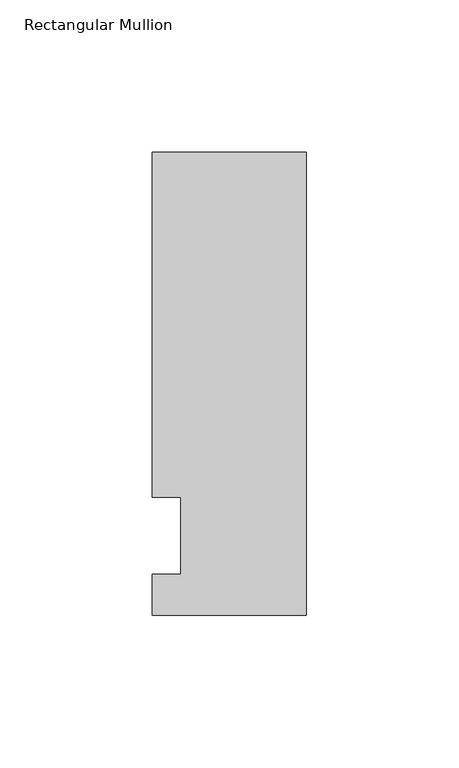
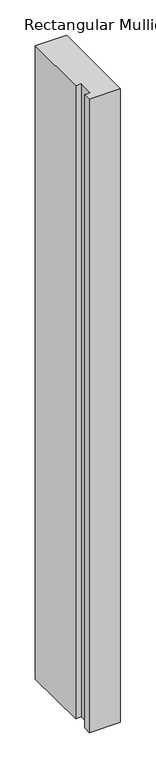
"""IFC4 building model written with IfcOpenShell, lengths in millimetres: member geometry, Rectangular Mullion."""

from ifc_helpers import new_model, si_unit, frame, origin, place, context, project, spatial, polyline, outline, extrude, source, transform, mapped, element, save


def rectangular_mullion_77f248c7(model_context):
    return source(origin(), model_context, "Body", "SweptSolid", [
        extrude(outline(polyline([(0.0, -26.19375), (-50.8, -26.19375), (-50.8, -12.7), (-41.275, -12.7), (-41.275, 12.7), (-50.8, 12.7), (-50.8, 126.20625), (0.0, 126.20625), (0.0, -26.19375)])), frame((0.0, 0.0, -1092.1923531), z_axis=(0.0, 0.0, 1.0), x_axis=(1.0, 0.0, 0.0)), (0.0, 0.0, 1.0), 1092.1923531),
    ])


if __name__ == "__main__":
    model = new_model("IFC4")
    model_context = context("Model", 3, world=origin())
    ifc_project = project(units=[si_unit("LENGTHUNIT", "METRE", prefix="MILLI")], contexts=[model_context])
    site = spatial("IfcSite", under=ifc_project)
    building = spatial("IfcBuilding", under=site)
    placement = place(None, origin())
    rectangular_mullion_shape = rectangular_mullion_77f248c7(model_context)
    element("IfcMember", 1, ObjectType="Rectangular Mullion", at=placement, inside=building, context=model_context, shape_type="MappedRepresentation", body=[
        mapped(rectangular_mullion_shape, transform((0.0, 0.0, 0.0), x_axis=(1.0, 0.0, 0.0), y_axis=(0.0, 1.0, 0.0), z_axis=(0.0, 0.0, 1.0))),
    ])
    save(model, "model.ifc")
